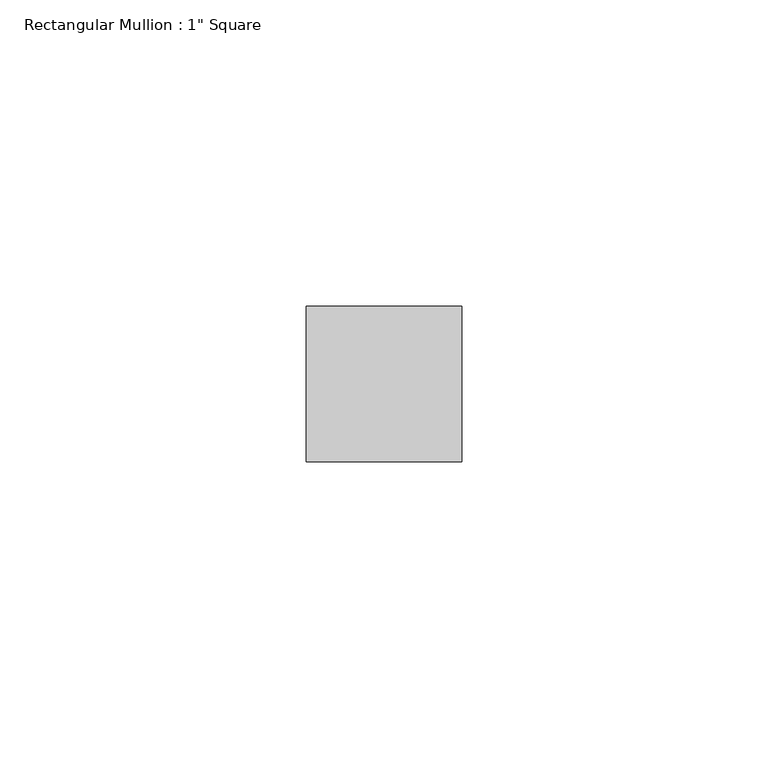
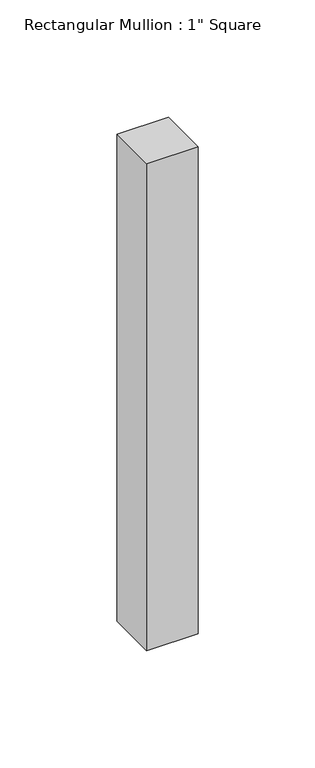
"""IFC4 building model written with IfcOpenShell, lengths in millimetres: member geometry."""

import ifcopenshell
import ifcopenshell.guid

model = None  # the IFC model being written
_history = None  # IfcOwnerHistory: only IFC2X3 demands one
_inside = {}  # id of a spatial element -> (the spatial element, [elements in it])
_under = {}  # id of a project, library or spatial element -> (it, [spatial elements below it])
_declared = {}  # id of a project -> (the project, [libraries it declares])
_typed = {}  # id of a type object -> (the type object, [elements of that type])
_made_of = {}  # id of a material, layer set ... -> (it, [elements and type objects made of it])


def new_model(schema):
    """Start an empty IFC model of exactly this schema.

    Asked for "IFC4X3", IfcOpenShell would pick the latest addendum, in which some entities
    have other attributes; the version numbers below select the first issue.
    IFC2X3 requires an IfcOwnerHistory on every rooted entity: one is made here for all.
    """
    global model, _history
    if schema == "IFC4X3":
        model = ifcopenshell.file(schema_version=(4, 3, 0, 0))
    else:
        model = ifcopenshell.file(schema=schema)
    _inside.clear()
    _under.clear()
    _declared.clear()
    _typed.clear()
    _made_of.clear()
    _history = None
    if model.schema == "IFC2X3":
        org = make("IfcOrganization", Name="unknown")
        user = make(
            "IfcPersonAndOrganization",
            ThePerson=make("IfcPerson", FamilyName="unknown"),
            TheOrganization=org,
        )
        app = make(
            "IfcApplication",
            ApplicationDeveloper=org,
            Version="unknown",
            ApplicationFullName="unknown",
            ApplicationIdentifier="unknown",
        )
        _history = make(
            "IfcOwnerHistory",
            OwningUser=user,
            OwningApplication=app,
            ChangeAction="ADDED",
            CreationDate=0,
        )
    return model


def make(cls, **values):
    """One entity of the class cls with the attributes given. An attribute that is None is left unset."""
    return model.create_entity(
        cls, **{name: value for name, value in values.items() if value is not None}
    )


def rooted(cls, **values):
    """An entity with a GlobalId (a new one), such as an element, a storey or a relation."""
    return make(cls, GlobalId=ifcopenshell.guid.new(), OwnerHistory=_history, **values)


def si_unit(unit_type, name, prefix=None):
    """IfcSIUnit, for example si_unit("LENGTHUNIT", "METRE", prefix="MILLI")."""
    return make("IfcSIUnit", UnitType=unit_type, Prefix=prefix, Name=name)


def assignment(units):
    """IfcUnitAssignment: the units of a project."""
    return None if units is None else make("IfcUnitAssignment", Units=units)


def point(xyz):
    """IfcCartesianPoint."""
    return None if xyz is None else make("IfcCartesianPoint", Coordinates=xyz)


def direction(xyz):
    """IfcDirection."""
    return None if xyz is None else make("IfcDirection", DirectionRatios=xyz)


def frame(location, z_axis=None, x_axis=None):
    """IfcAxis2Placement3D, a coordinate frame: its origin and axes. An axis left out is left unset."""
    return make(
        "IfcAxis2Placement3D",
        Location=point(location),
        Axis=direction(z_axis),
        RefDirection=direction(x_axis),
    )


def origin():
    """The frame at (0, 0, 0) with its axes left unset."""
    return frame((0.0, 0.0, 0.0))


def place(relative_to, where):
    """IfcLocalPlacement: puts the frame where relative to a parent placement (None: the world)."""
    return make(
        "IfcLocalPlacement", PlacementRelTo=relative_to, RelativePlacement=where
    )


def context(
    kind, dimensions, precision=None, world=None, true_north=None, identifier=None
):
    """IfcGeometricRepresentationContext, for example the 3D "Model" context."""
    return make(
        "IfcGeometricRepresentationContext",
        ContextIdentifier=identifier,
        ContextType=kind,
        CoordinateSpaceDimension=dimensions,
        Precision=precision,
        WorldCoordinateSystem=world,
        TrueNorth=true_north,
    )


def project(units=None, contexts=None):
    """IfcProject with its units and contexts."""
    return rooted(
        "IfcProject",
        Name="project",
        RepresentationContexts=contexts,
        UnitsInContext=assignment(units),
    )


def spatial(cls, under=None, at=None, **own):
    """A site, building, storey or space (cls), placed at a placement, below another one or the project."""
    s = rooted(cls, ObjectPlacement=at, **own)
    if under is not None:
        _under.setdefault(under.id(), (under, []))[1].append(s)
    return s


def polyline(points):
    """IfcPolyline through the points."""
    return make("IfcPolyline", Points=[point(p) for p in points])


def outline(outer, holes=None, kind="AREA"):
    """IfcArbitraryClosedProfileDef: a profile drawn as a closed curve; with holes, ...WithVoids."""
    if holes is None:
        return make("IfcArbitraryClosedProfileDef", ProfileType=kind, OuterCurve=outer)
    return make(
        "IfcArbitraryProfileDefWithVoids",
        ProfileType=kind,
        OuterCurve=outer,
        InnerCurves=holes,
    )


def extrude(swept, where, along, depth):
    """IfcExtrudedAreaSolid: the profile swept, set in the frame where, extruded along a direction by depth."""
    return make(
        "IfcExtrudedAreaSolid",
        SweptArea=swept,
        Position=where,
        ExtrudedDirection=direction(along),
        Depth=depth,
    )


def shape(context_of_items, identifier, shape_type, items):
    """IfcShapeRepresentation: the items that make up one representation, for example the "Body"."""
    return make(
        "IfcShapeRepresentation",
        ContextOfItems=context_of_items,
        RepresentationIdentifier=identifier,
        RepresentationType=shape_type,
        Items=items,
    )


def source(mapping_origin, context_of_items, identifier, shape_type, items):
    """IfcRepresentationMap: a shape defined once, which mapped items show again and again."""
    return make(
        "IfcRepresentationMap",
        MappingOrigin=mapping_origin,
        MappedRepresentation=shape(context_of_items, identifier, shape_type, items),
    )


def transform(
    local_origin,
    x_axis=None,
    y_axis=None,
    z_axis=None,
    scale=None,
    scale2=None,
    scale3=None,
    uniform=True,
):
    """IfcCartesianTransformationOperator3D, or its non-uniform kind. x_axis, y_axis, z_axis: its Axis1, 2, 3."""
    if uniform:
        return make(
            "IfcCartesianTransformationOperator3D",
            Axis1=direction(x_axis),
            Axis2=direction(y_axis),
            LocalOrigin=point(local_origin),
            Scale=scale,
            Axis3=direction(z_axis),
        )
    return make(
        "IfcCartesianTransformationOperator3DnonUniform",
        Axis1=direction(x_axis),
        Axis2=direction(y_axis),
        LocalOrigin=point(local_origin),
        Scale=scale,
        Axis3=direction(z_axis),
        Scale2=scale2,
        Scale3=scale3,
    )


def mapped(mapping_source, mapping_target):
    """IfcMappedItem: shows the shape of a source again, moved by a transform."""
    return make(
        "IfcMappedItem", MappingSource=mapping_source, MappingTarget=mapping_target
    )


def made_of(thing, what):
    """Note that an element or type object is made of a material, layer set ...; save() writes the relation."""
    if what is not None:
        _made_of.setdefault(what.id(), (what, []))[1].append(thing)
    return thing


def element(
    cls,
    number,
    at=None,
    inside=None,
    cuts=None,
    type_object=None,
    material=None,
    context=None,
    identifier="Body",
    shape_type=None,
    held_by="IfcProductDefinitionShape",
    body=None,
    shapes=None,
    **own,
):
    """One element of the class cls, such as IfcWall. Its Tag is "e" and its number.

    at: its placement. inside: the storey or other place that contains it. cuts: it is an
    opening in that element (IfcRelVoidsElement). A single representation is given by context,
    identifier, shape_type and body (its items); several are given by shapes. held_by: the class
    of the entity that holds the representations. save() writes the other relations.
    """
    e = rooted(cls, Tag="e%d" % number, ObjectPlacement=at, **own)
    if body is not None:
        shapes = [shape(context, identifier, shape_type, body)]
    if shapes is not None:
        e.Representation = make(held_by, Representations=shapes)
    if inside is not None:
        _inside.setdefault(inside.id(), (inside, []))[1].append(e)
    if cuts is not None:
        rooted(
            "IfcRelVoidsElement", RelatingBuildingElement=cuts, RelatedOpeningElement=e
        )
    if type_object is not None:
        _typed.setdefault(type_object.id(), (type_object, []))[1].append(e)
    return made_of(e, material)


def aggregate(whole, parts):
    """IfcRelAggregates: a whole, such as a stair, and the parts it consists of."""
    return rooted("IfcRelAggregates", RelatingObject=whole, RelatedObjects=parts)


def save(model, path):
    """Write the relations noted so far, then the file.

    IfcRelAggregates (storeys below a building ...), IfcRelContainedInSpatialStructure (elements
    in a storey), IfcRelDefinesByType, IfcRelAssociatesMaterial and IfcRelDeclares: one each for
    every whole, place, type object, material and project.
    """
    for whole, parts in _under.values():
        aggregate(whole, parts)
    for where, things in _inside.values():
        rooted(
            "IfcRelContainedInSpatialStructure",
            RelatedElements=things,
            RelatingStructure=where,
        )
    for kind, things in _typed.values():
        rooted("IfcRelDefinesByType", RelatedObjects=things, RelatingType=kind)
    for what, things in _made_of.values():
        rooted("IfcRelAssociatesMaterial", RelatedObjects=things, RelatingMaterial=what)
    for by, libraries in _declared.values():
        rooted("IfcRelDeclares", RelatingContext=by, RelatedDefinitions=libraries)
    model.write(path)


def member_0386d6f4(model_context):
    return source(origin(), model_context, "Body", "SweptSolid", [
        extrude(outline(polyline([(12.7, 12.7), (12.7, -12.7), (-12.7, -12.7), (-12.7, 12.7), (12.7, 12.7)])), frame((0.0, 0.0, -254.0), z_axis=(0.0, 0.0, 1.0), x_axis=(1.0, 0.0, 0.0)), (0.0, 0.0, 1.0), 254.0),
    ])


if __name__ == "__main__":
    model = new_model("IFC4")
    model_context = context("Model", 3, world=origin())
    ifc_project = project(units=[si_unit("LENGTHUNIT", "METRE", prefix="MILLI")], contexts=[model_context])
    site = spatial("IfcSite", under=ifc_project)
    building = spatial("IfcBuilding", under=site)
    placement = place(None, origin())
    member_shape = member_0386d6f4(model_context)
    element("IfcMember", 1, ObjectType="Rectangular Mullion : 1\" Square", at=placement, inside=building, context=model_context, shape_type="MappedRepresentation", body=[
        mapped(member_shape, transform((0.0, 0.0, 0.0), x_axis=(1.0, 0.0, 0.0), y_axis=(0.0, 1.0, 0.0), z_axis=(0.0, 0.0, 1.0))),
    ])
    save(model, "model.ifc")
